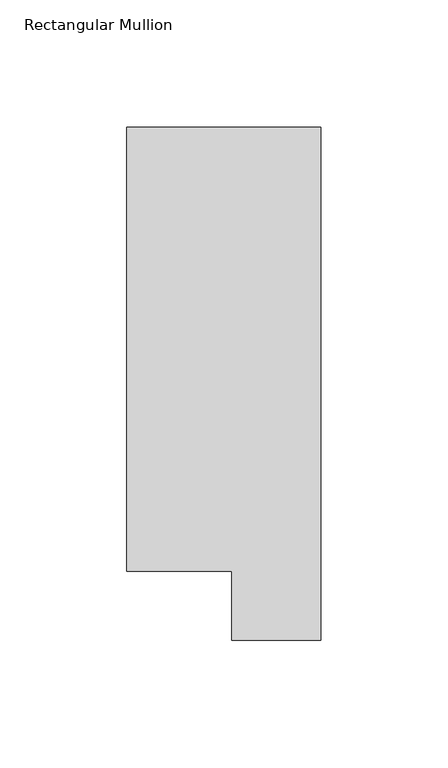
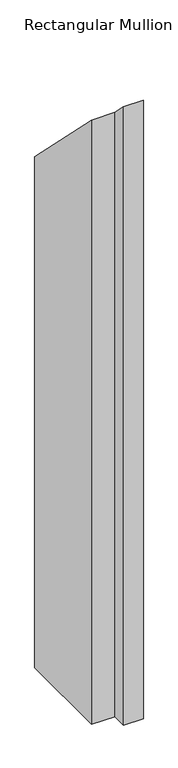
"""IFC4 building model written with IfcOpenShell, lengths in millimetres: member geometry, Rectangular Mullion."""

from ifc_helpers import new_model, si_unit, origin, place, context, project, spatial, faceted_brep, source, transform, mapped, element, save


def rectangular_mullion_86373c71(model_context):
    return source(origin(), model_context, "Body", "Brep", [
        faceted_brep([(0.0, 221.7507313, -1181.4194229), (0.0, 19.5667313, -1181.4194229), (-34.9123, 19.5667313, -1181.4194229), (-34.9123, 46.7447302, -1181.4194229), (-76.2, 46.7447302, -1181.4194229), (-76.2, 221.7507313, -1181.4194229), (-76.2, 221.7507313, -221.7507313), (0.0, 221.7507313, -221.7507313), (-76.2, 46.7447302, -46.7447302), (-34.9123, 46.7447302, -46.7447302), (-34.9123, 19.5667313, -19.5667313), (0.0, 19.5667313, -19.5667313)], [[[0, 1, 2, 3, 4, 5]], [[6, 7, 0, 5]], [[8, 6, 5, 4]], [[9, 8, 4, 3]], [[10, 9, 3, 2]], [[11, 10, 2, 1]], [[7, 11, 1, 0]], [[7, 6, 8, 9, 10, 11]]]),
    ])


if __name__ == "__main__":
    model = new_model("IFC4")
    model_context = context("Model", 3, world=origin())
    ifc_project = project(units=[si_unit("LENGTHUNIT", "METRE", prefix="MILLI")], contexts=[model_context])
    site = spatial("IfcSite", under=ifc_project)
    building = spatial("IfcBuilding", under=site)
    placement = place(None, origin())
    rectangular_mullion_shape = rectangular_mullion_86373c71(model_context)
    element("IfcMember", 1, ObjectType="Rectangular Mullion", at=placement, inside=building, context=model_context, shape_type="MappedRepresentation", body=[
        mapped(rectangular_mullion_shape, transform((0.0, 0.0, 0.0), x_axis=(1.0, 0.0, 0.0), y_axis=(0.0, 1.0, 0.0), z_axis=(0.0, 0.0, 1.0))),
    ])
    save(model, "model.ifc")
